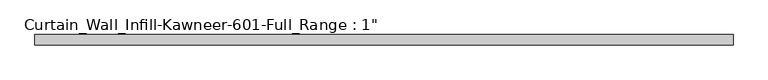
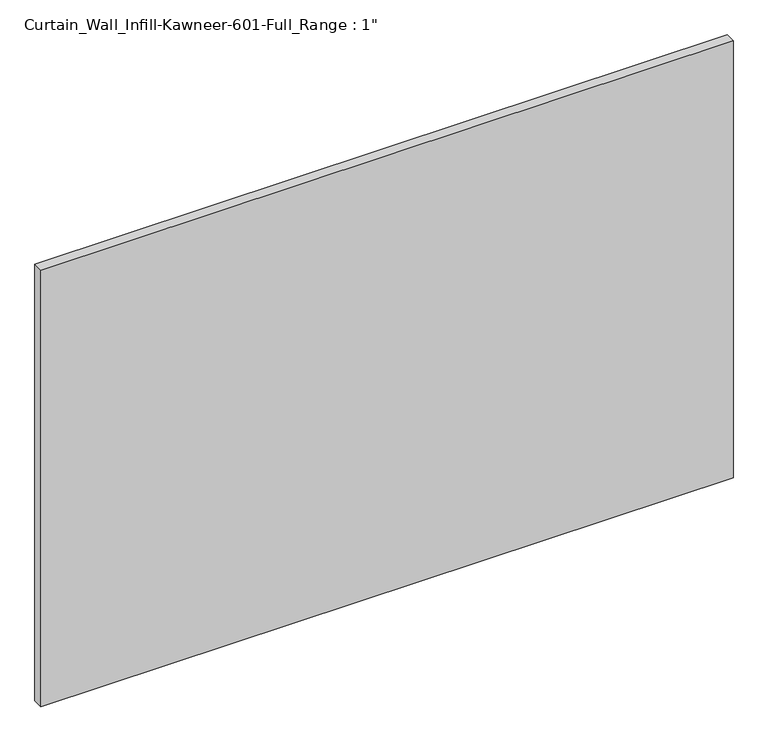
"""IFC4 building model written with IfcOpenShell, lengths in millimetres: plate geometry."""

from ifc_helpers import new_model, si_unit, origin, origin_with_axes, place, context, project, spatial, polyline, outline, extrude, source, transform, mapped, element, save


def plate_b4821db7(model_context):
    return source(origin(), model_context, "Body", "SweptSolid", [
        extrude(outline(polyline([(-861.4833333, 12.7), (861.4833333, 12.7), (861.4833333, -12.7), (-861.4833333, -12.7), (-861.4833333, 12.7)])), origin_with_axes(), (0.0, 0.0, 1.0), 1149.35),
    ])


if __name__ == "__main__":
    model = new_model("IFC4")
    model_context = context("Model", 3, world=origin())
    ifc_project = project(units=[si_unit("LENGTHUNIT", "METRE", prefix="MILLI")], contexts=[model_context])
    site = spatial("IfcSite", under=ifc_project)
    building = spatial("IfcBuilding", under=site)
    placement = place(None, origin())
    plate_shape = plate_b4821db7(model_context)
    element("IfcPlate", 1, ObjectType="Curtain_Wall_Infill-Kawneer-601-Full_Range : 1\"", at=placement, inside=building, context=model_context, shape_type="MappedRepresentation", body=[
        mapped(plate_shape, transform((0.0, 0.0, 0.0), x_axis=(1.0, 0.0, 0.0), y_axis=(0.0, 1.0, 0.0), z_axis=(0.0, 0.0, 1.0))),
    ])
    save(model, "model.ifc")
